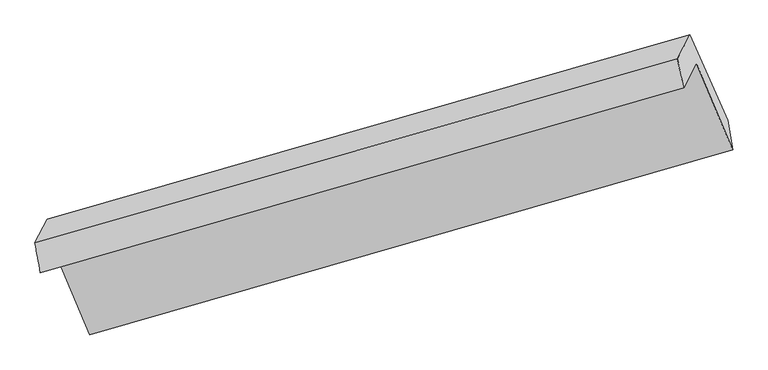
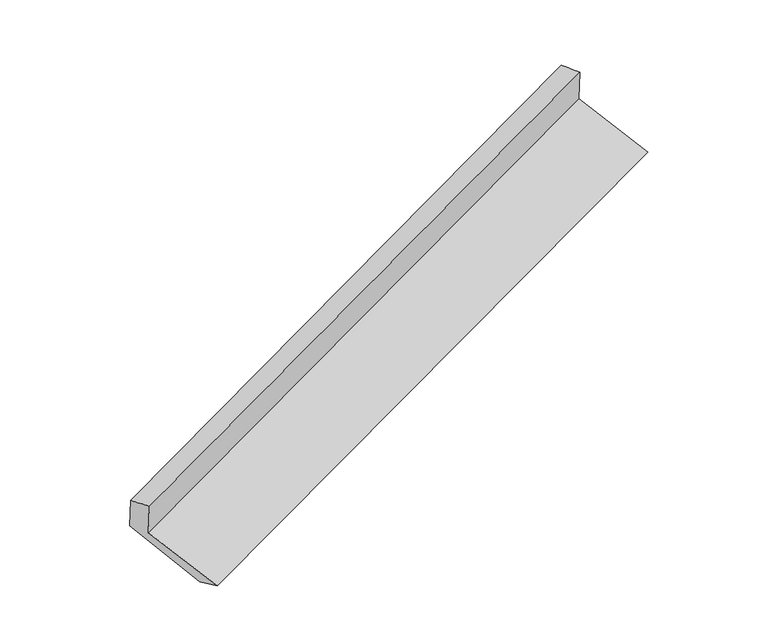
"""IFC4 building model written with IfcOpenShell, lengths in millimetres: proxy geometry."""

from ifc_helpers import new_model, si_unit, frame, origin, place, context, project, spatial, source, transform, mapped, element, save
from ifc_brep_helpers import plane_surface, spline_surface, advanced_brep


def generic_models_9757064d(model_context):
    return source(origin(), model_context, "Body", "AdvancedBrep", [
        advanced_brep(
        [(-5137.3641896, -2140.4602712, 1475.1442583), (-5050.7619631, -1976.0568003, 1109.6337173), (-737.0811612, -737.2601824, 2688.8954919), (-823.6833876, -901.6636534, 3054.4060329), (-5174.7029775, -1937.0462789, 1416.4694352), (-865.2463427, -706.2687129, 3013.5595923), (-5092.3249182, -1780.6618598, 1068.7872767), (-780.7561998, -545.8747678, 2656.9632425), (-4839.0368498, -2353.7129745, 830.6904131), (-527.4681314, -1118.9258826, 2418.8663789), (-4808.7429216, -2554.7542222, 906.6834091), (-495.0621197, -1315.9576043, 2485.9451837)],
        [
            (0, 1),
            (1, 2),
            (2, 3),
            (3, 0),
            (4, 0),
            (3, 5),
            (5, 4),
            (6, 4),
            (5, 7),
            (7, 6),
            (8, 6),
            (7, 9),
            (9, 8),
            (10, 8),
            (9, 11),
            (11, 10),
            (1, 10),
            (11, 2),
        ],
        [
            plane_surface(frame((-5094.0630763, -2058.2585358, 1292.3889878), z_axis=(0.36519005262985194, -0.8783183831586143, -0.30853369875241143), x_axis=(0.21120835668482538, 0.40095258911185744, -0.8914191221591523))),
            spline_surface(1, 1, [[(-5174.7029775, -1937.0462789, 1416.4694352), (-865.2463427, -706.2687129, 3013.5595923)], [(-5137.3641896, -2140.4602712, 1475.1442583), (-823.6833876, -901.6636534, 3054.4060329)]], [2, 2], [2, 2], [0.0, 1.0], [0.0, 1.0]),
            plane_surface(frame((-5133.5139479, -1858.8540694, 1242.628356), z_axis=(-0.36519005262985216, 0.8783183831586147, 0.30853369875241016), x_axis=(-0.21120835668484791, -0.40095258911186277, 0.8914191221591445))),
            plane_surface(frame((-4965.680884, -2067.1874172, 949.7388449), z_axis=(0.1932037675418275, 0.4480661001917138, -0.8728740310414974), x_axis=(-0.3779019454379815, 0.8549835467957282, 0.35523689890379617))),
            spline_surface(1, 1, [[(-4808.7429216, -2554.7542222, 906.6834091), (-495.0621197, -1315.9576043, 2485.9451837)], [(-4839.0368498, -2353.7129745, 830.6904131), (-527.4681314, -1118.9258826, 2418.8663789)]], [2, 2], [2, 2], [0.0, 1.0], [0.0, 1.0]),
            plane_surface(frame((-4929.7524424, -2265.4055112, 1008.1585632), z_axis=(-0.21120835668486754, -0.400952589111892, 0.8914191221591268), x_axis=(0.3670948743693501, -0.8777691875061302, -0.307835356443309))),
            plane_surface(frame((-704.8828904, -887.6584672, 2719.7726537), z_axis=(0.9058876217711744, 0.2622179908955707, 0.3325798279698519), x_axis=(-0.3779019454379815, 0.8549835467957282, 0.35523689890379617))),
            plane_surface(frame((-5017.1556366, -2123.7820678, 1134.5680849), z_axis=(-0.9058876217712002, -0.26221799089552167, -0.33257982796982044), x_axis=(-0.21120835668482119, -0.40095258911189297, 0.8914191221591373))),
        ],
        [
            (0, [[1, 2, 3, 4]]),
            (1, [[5, -4, 6, 7]]),
            (2, [[8, -7, 9, 10]]),
            (3, [[11, -10, 12, 13]]),
            (4, [[14, -13, 15, 16]]),
            (5, [[17, -16, 18, -2]]),
            (6, [[-12, -9, -6, -3, -18, -15]]),
            (7, [[-1, -5, -8, -11, -14, -17]]),
        ],
    ),
    ])


if __name__ == "__main__":
    model = new_model("IFC4")
    model_context = context("Model", 3, world=origin())
    ifc_project = project(units=[si_unit("LENGTHUNIT", "METRE", prefix="MILLI")], contexts=[model_context])
    site = spatial("IfcSite", under=ifc_project)
    building = spatial("IfcBuilding", under=site)
    placement = place(None, origin())
    generic_models_shape = generic_models_9757064d(model_context)
    element("IfcBuildingElementProxy", 1, Name="Generic Models", at=placement, inside=building, context=model_context, shape_type="MappedRepresentation", body=[
        mapped(generic_models_shape, transform((0.0, 0.0, 0.0), x_axis=(1.0, 0.0, 0.0), y_axis=(0.0, 1.0, 0.0), z_axis=(0.0, 0.0, 1.0))),
    ])
    save(model, "model.ifc")
